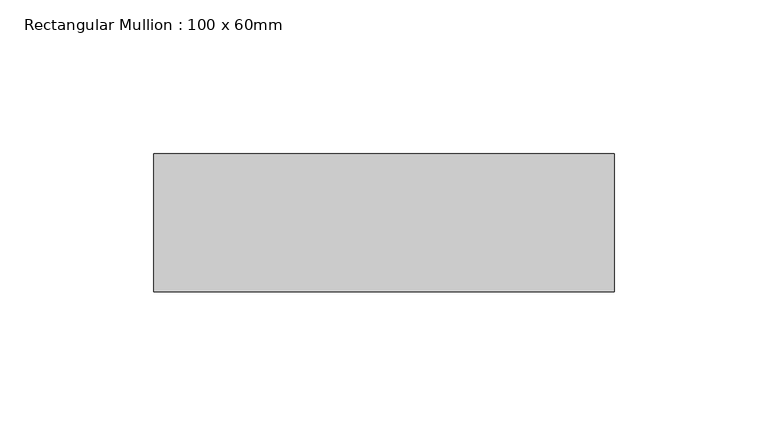
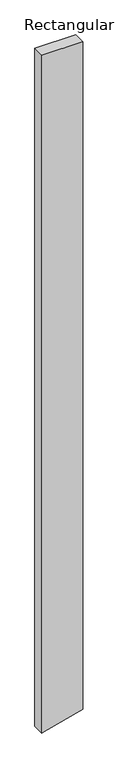
"""IFC4 building model written with IfcOpenShell, lengths in millimetres: member geometry, Rectangular Mullion : 100 x 60mm."""

from ifc_helpers import new_model, si_unit, frame, origin, place, context, project, spatial, polyline, outline, extrude, source, transform, mapped, element, save


def rectangular_mullion_100_x_60mm_c8271b58(model_context):
    return source(origin(), model_context, "Body", "SweptSolid", [
        extrude(outline(polyline([(0.0, 75.0), (0.0, -75.0), (-2642.9740104, -75.0), (-2640.2154095, -64.7047613), (-2602.7816315, 75.0), (0.0, 75.0)])), frame((0.0, -15.0, 0.0), z_axis=(0.0, 1.0, 0.0), x_axis=(0.0, 0.0, 1.0)), (0.0, 0.0, 1.0), 45.0),
    ])


if __name__ == "__main__":
    model = new_model("IFC4")
    model_context = context("Model", 3, world=origin())
    ifc_project = project(units=[si_unit("LENGTHUNIT", "METRE", prefix="MILLI")], contexts=[model_context])
    site = spatial("IfcSite", under=ifc_project)
    building = spatial("IfcBuilding", under=site)
    placement = place(None, origin())
    rectangular_mullion_100_x_60mm_shape = rectangular_mullion_100_x_60mm_c8271b58(model_context)
    element("IfcMember", 1, ObjectType="Rectangular Mullion : 100 x 60mm", at=placement, inside=building, context=model_context, shape_type="MappedRepresentation", body=[
        mapped(rectangular_mullion_100_x_60mm_shape, transform((0.0, 0.0, 0.0), x_axis=(1.0, 0.0, 0.0), y_axis=(0.0, 1.0, 0.0), z_axis=(0.0, 0.0, 1.0))),
    ])
    save(model, "model.ifc")
